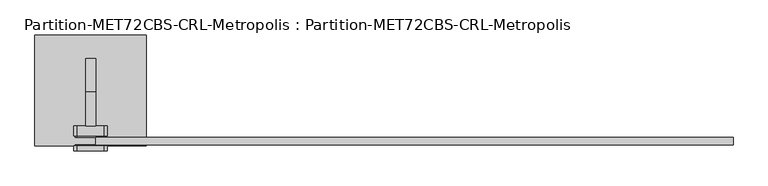
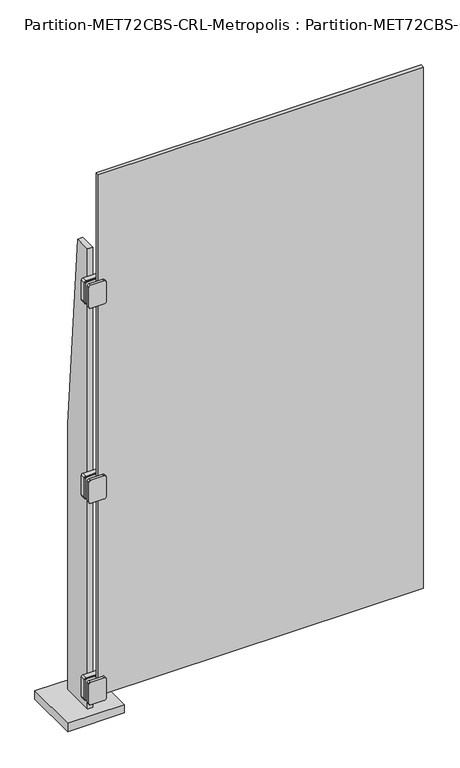
"""IFC4 building model written with IfcOpenShell, lengths in millimetres: plate geometry, Partition-MET72CBS-CRL-Metropolis : Partition-MET72CBS-CRL-Metropolis."""

import ifcopenshell
import ifcopenshell.guid

model = None  # the IFC model being written
_history = None  # IfcOwnerHistory: only IFC2X3 demands one
_inside = {}  # id of a spatial element -> (the spatial element, [elements in it])
_under = {}  # id of a project, library or spatial element -> (it, [spatial elements below it])
_declared = {}  # id of a project -> (the project, [libraries it declares])
_typed = {}  # id of a type object -> (the type object, [elements of that type])
_made_of = {}  # id of a material, layer set ... -> (it, [elements and type objects made of it])


def new_model(schema):
    """Start an empty IFC model of exactly this schema.

    Asked for "IFC4X3", IfcOpenShell would pick the latest addendum, in which some entities
    have other attributes; the version numbers below select the first issue.
    IFC2X3 requires an IfcOwnerHistory on every rooted entity: one is made here for all.
    """
    global model, _history
    if schema == "IFC4X3":
        model = ifcopenshell.file(schema_version=(4, 3, 0, 0))
    else:
        model = ifcopenshell.file(schema=schema)
    _inside.clear()
    _under.clear()
    _declared.clear()
    _typed.clear()
    _made_of.clear()
    _history = None
    if model.schema == "IFC2X3":
        org = make("IfcOrganization", Name="unknown")
        user = make(
            "IfcPersonAndOrganization",
            ThePerson=make("IfcPerson", FamilyName="unknown"),
            TheOrganization=org,
        )
        app = make(
            "IfcApplication",
            ApplicationDeveloper=org,
            Version="unknown",
            ApplicationFullName="unknown",
            ApplicationIdentifier="unknown",
        )
        _history = make(
            "IfcOwnerHistory",
            OwningUser=user,
            OwningApplication=app,
            ChangeAction="ADDED",
            CreationDate=0,
        )
    return model


def make(cls, **values):
    """One entity of the class cls with the attributes given. An attribute that is None is left unset."""
    return model.create_entity(
        cls, **{name: value for name, value in values.items() if value is not None}
    )


def rooted(cls, **values):
    """An entity with a GlobalId (a new one), such as an element, a storey or a relation."""
    return make(cls, GlobalId=ifcopenshell.guid.new(), OwnerHistory=_history, **values)


def si_unit(unit_type, name, prefix=None):
    """IfcSIUnit, for example si_unit("LENGTHUNIT", "METRE", prefix="MILLI")."""
    return make("IfcSIUnit", UnitType=unit_type, Prefix=prefix, Name=name)


def assignment(units):
    """IfcUnitAssignment: the units of a project."""
    return None if units is None else make("IfcUnitAssignment", Units=units)


def point(xyz):
    """IfcCartesianPoint."""
    return None if xyz is None else make("IfcCartesianPoint", Coordinates=xyz)


def direction(xyz):
    """IfcDirection."""
    return None if xyz is None else make("IfcDirection", DirectionRatios=xyz)


def frame(location, z_axis=None, x_axis=None):
    """IfcAxis2Placement3D, a coordinate frame: its origin and axes. An axis left out is left unset."""
    return make(
        "IfcAxis2Placement3D",
        Location=point(location),
        Axis=direction(z_axis),
        RefDirection=direction(x_axis),
    )


def frame_2d(location, x_axis=None):
    """IfcAxis2Placement2D, a coordinate frame in the plane: its origin and x axis."""
    return make(
        "IfcAxis2Placement2D", Location=point(location), RefDirection=direction(x_axis)
    )


def origin():
    """The frame at (0, 0, 0) with its axes left unset."""
    return frame((0.0, 0.0, 0.0))


def origin_with_axes():
    """The frame at (0, 0, 0) with the z axis (0, 0, 1) and the x axis (1, 0, 0) written out."""
    return frame((0.0, 0.0, 0.0), z_axis=(0.0, 0.0, 1.0), x_axis=(1.0, 0.0, 0.0))


def place(relative_to, where):
    """IfcLocalPlacement: puts the frame where relative to a parent placement (None: the world)."""
    return make(
        "IfcLocalPlacement", PlacementRelTo=relative_to, RelativePlacement=where
    )


def context(
    kind, dimensions, precision=None, world=None, true_north=None, identifier=None
):
    """IfcGeometricRepresentationContext, for example the 3D "Model" context."""
    return make(
        "IfcGeometricRepresentationContext",
        ContextIdentifier=identifier,
        ContextType=kind,
        CoordinateSpaceDimension=dimensions,
        Precision=precision,
        WorldCoordinateSystem=world,
        TrueNorth=true_north,
    )


def project(units=None, contexts=None):
    """IfcProject with its units and contexts."""
    return rooted(
        "IfcProject",
        Name="project",
        RepresentationContexts=contexts,
        UnitsInContext=assignment(units),
    )


def spatial(cls, under=None, at=None, **own):
    """A site, building, storey or space (cls), placed at a placement, below another one or the project."""
    s = rooted(cls, ObjectPlacement=at, **own)
    if under is not None:
        _under.setdefault(under.id(), (under, []))[1].append(s)
    return s


def polyline(points):
    """IfcPolyline through the points."""
    return make("IfcPolyline", Points=[point(p) for p in points])


def circle_curve(where, radius):
    """IfcCircle in the frame where."""
    return make("IfcCircle", Position=where, Radius=radius)


def trimmed(basis, trim1, trim2, sense, master):
    """IfcTrimmedCurve: the piece of a basis curve between two trims."""
    return make(
        "IfcTrimmedCurve",
        BasisCurve=basis,
        Trim1=trim1,
        Trim2=trim2,
        SenseAgreement=sense,
        MasterRepresentation=master,
    )


def segment(curve, same_sense, transition):
    """IfcCompositeCurveSegment."""
    return make(
        "IfcCompositeCurveSegment",
        Transition=transition,
        SameSense=same_sense,
        ParentCurve=curve,
    )


def composite_curve(segments, self_intersect=None):
    """IfcCompositeCurve: segments joined end to end."""
    return make("IfcCompositeCurve", Segments=segments, SelfIntersect=self_intersect)


def outline(outer, holes=None, kind="AREA"):
    """IfcArbitraryClosedProfileDef: a profile drawn as a closed curve; with holes, ...WithVoids."""
    if holes is None:
        return make("IfcArbitraryClosedProfileDef", ProfileType=kind, OuterCurve=outer)
    return make(
        "IfcArbitraryProfileDefWithVoids",
        ProfileType=kind,
        OuterCurve=outer,
        InnerCurves=holes,
    )


def extrude(swept, where, along, depth):
    """IfcExtrudedAreaSolid: the profile swept, set in the frame where, extruded along a direction by depth."""
    return make(
        "IfcExtrudedAreaSolid",
        SweptArea=swept,
        Position=where,
        ExtrudedDirection=direction(along),
        Depth=depth,
    )


def shape(context_of_items, identifier, shape_type, items):
    """IfcShapeRepresentation: the items that make up one representation, for example the "Body"."""
    return make(
        "IfcShapeRepresentation",
        ContextOfItems=context_of_items,
        RepresentationIdentifier=identifier,
        RepresentationType=shape_type,
        Items=items,
    )


def source(mapping_origin, context_of_items, identifier, shape_type, items):
    """IfcRepresentationMap: a shape defined once, which mapped items show again and again."""
    return make(
        "IfcRepresentationMap",
        MappingOrigin=mapping_origin,
        MappedRepresentation=shape(context_of_items, identifier, shape_type, items),
    )


def transform(
    local_origin,
    x_axis=None,
    y_axis=None,
    z_axis=None,
    scale=None,
    scale2=None,
    scale3=None,
    uniform=True,
):
    """IfcCartesianTransformationOperator3D, or its non-uniform kind. x_axis, y_axis, z_axis: its Axis1, 2, 3."""
    if uniform:
        return make(
            "IfcCartesianTransformationOperator3D",
            Axis1=direction(x_axis),
            Axis2=direction(y_axis),
            LocalOrigin=point(local_origin),
            Scale=scale,
            Axis3=direction(z_axis),
        )
    return make(
        "IfcCartesianTransformationOperator3DnonUniform",
        Axis1=direction(x_axis),
        Axis2=direction(y_axis),
        LocalOrigin=point(local_origin),
        Scale=scale,
        Axis3=direction(z_axis),
        Scale2=scale2,
        Scale3=scale3,
    )


def mapped(mapping_source, mapping_target):
    """IfcMappedItem: shows the shape of a source again, moved by a transform."""
    return make(
        "IfcMappedItem", MappingSource=mapping_source, MappingTarget=mapping_target
    )


def made_of(thing, what):
    """Note that an element or type object is made of a material, layer set ...; save() writes the relation."""
    if what is not None:
        _made_of.setdefault(what.id(), (what, []))[1].append(thing)
    return thing


def element(
    cls,
    number,
    at=None,
    inside=None,
    cuts=None,
    type_object=None,
    material=None,
    context=None,
    identifier="Body",
    shape_type=None,
    held_by="IfcProductDefinitionShape",
    body=None,
    shapes=None,
    **own,
):
    """One element of the class cls, such as IfcWall. Its Tag is "e" and its number.

    at: its placement. inside: the storey or other place that contains it. cuts: it is an
    opening in that element (IfcRelVoidsElement). A single representation is given by context,
    identifier, shape_type and body (its items); several are given by shapes. held_by: the class
    of the entity that holds the representations. save() writes the other relations.
    """
    e = rooted(cls, Tag="e%d" % number, ObjectPlacement=at, **own)
    if body is not None:
        shapes = [shape(context, identifier, shape_type, body)]
    if shapes is not None:
        e.Representation = make(held_by, Representations=shapes)
    if inside is not None:
        _inside.setdefault(inside.id(), (inside, []))[1].append(e)
    if cuts is not None:
        rooted(
            "IfcRelVoidsElement", RelatingBuildingElement=cuts, RelatedOpeningElement=e
        )
    if type_object is not None:
        _typed.setdefault(type_object.id(), (type_object, []))[1].append(e)
    return made_of(e, material)


def aggregate(whole, parts):
    """IfcRelAggregates: a whole, such as a stair, and the parts it consists of."""
    return rooted("IfcRelAggregates", RelatingObject=whole, RelatedObjects=parts)


def save(model, path):
    """Write the relations noted so far, then the file.

    IfcRelAggregates (storeys below a building ...), IfcRelContainedInSpatialStructure (elements
    in a storey), IfcRelDefinesByType, IfcRelAssociatesMaterial and IfcRelDeclares: one each for
    every whole, place, type object, material and project.
    """
    for whole, parts in _under.values():
        aggregate(whole, parts)
    for where, things in _inside.values():
        rooted(
            "IfcRelContainedInSpatialStructure",
            RelatedElements=things,
            RelatingStructure=where,
        )
    for kind, things in _typed.values():
        rooted("IfcRelDefinesByType", RelatedObjects=things, RelatingType=kind)
    for what, things in _made_of.values():
        rooted("IfcRelAssociatesMaterial", RelatedObjects=things, RelatingMaterial=what)
    for by, libraries in _declared.values():
        rooted("IfcRelDeclares", RelatingContext=by, RelatedDefinitions=libraries)
    model.write(path)


def partition_met72cbs_crl_metropolis_partition_met72cbs_crl_bda39845(model_context):
    return source(origin(), model_context, "Body", "SweptSolid", [
        extrude(outline(composite_curve([segment(polyline([(168.275, -596.9), (168.275, -635.0)]), True, "CONTINUOUS"), segment(trimmed(circle_curve(frame_2d((165.1, -635.0)), 3.175), [point((168.275, -635.0))], [point((165.1, -638.175))], False, "CARTESIAN"), True, "CONTINUOUS"), segment(polyline([(165.1, -638.175), (88.9, -638.175)]), True, "CONTINUOUS"), segment(trimmed(circle_curve(frame_2d((88.9, -635.0)), 3.175), [point((88.9, -638.175))], [point((85.725, -635.0))], False, "CARTESIAN"), True, "CONTINUOUS"), segment(polyline([(85.725, -635.0), (85.725, -596.9), (85.725, -584.2)]), True, "CONTINUOUS"), segment(trimmed(circle_curve(frame_2d((88.9, -584.2)), 3.175), [point((85.725, -584.2))], [point((88.9, -581.025))], False, "CARTESIAN"), True, "CONTINUOUS"), segment(polyline([(88.9, -581.025), (165.1, -581.025)]), True, "CONTINUOUS"), segment(trimmed(circle_curve(frame_2d((165.1, -584.2)), 3.175), [point((165.1, -581.025))], [point((168.275, -584.2))], False, "CARTESIAN"), True, "CONTINUOUS"), segment(polyline([(168.275, -584.2), (168.275, -596.9)]), True, "CONTINUOUS")], self_intersect=False)), frame((0.0, -114.3, 0.0), z_axis=(0.0, 1.0, 0.0), x_axis=(0.0, 0.0, 1.0)), (0.0, 0.0, 1.0), 1.5875),
        extrude(outline(composite_curve([segment(polyline([(168.275, -596.9), (168.275, -635.0)]), True, "CONTINUOUS"), segment(trimmed(circle_curve(frame_2d((165.1, -635.0)), 3.175), [point((168.275, -635.0))], [point((165.1, -638.175))], False, "CARTESIAN"), True, "CONTINUOUS"), segment(polyline([(165.1, -638.175), (88.9, -638.175)]), True, "CONTINUOUS"), segment(trimmed(circle_curve(frame_2d((88.9, -635.0)), 3.175), [point((88.9, -638.175))], [point((85.725, -635.0))], False, "CARTESIAN"), True, "CONTINUOUS"), segment(polyline([(85.725, -635.0), (85.725, -596.9), (85.725, -584.2)]), True, "CONTINUOUS"), segment(trimmed(circle_curve(frame_2d((88.9, -584.2)), 3.175), [point((85.725, -584.2))], [point((88.9, -581.025))], False, "CARTESIAN"), True, "CONTINUOUS"), segment(polyline([(88.9, -581.025), (165.1, -581.025)]), True, "CONTINUOUS"), segment(trimmed(circle_curve(frame_2d((165.1, -584.2)), 3.175), [point((165.1, -581.025))], [point((168.275, -584.2))], False, "CARTESIAN"), True, "CONTINUOUS"), segment(polyline([(168.275, -584.2), (168.275, -596.9)]), True, "CONTINUOUS")], self_intersect=False)), frame((0.0, -98.425, 0.0), z_axis=(0.0, 1.0, 0.0), x_axis=(0.0, 0.0, 1.0)), (0.0, 0.0, 1.0), 3.175),
        extrude(outline(composite_curve([segment(polyline([(165.1, -641.35), (88.9, -641.35)]), True, "CONTINUOUS"), segment(trimmed(circle_curve(frame_2d((88.9, -635.0)), 6.35), [point((88.9, -641.35))], [point((82.55, -635.0))], False, "CARTESIAN"), True, "CONTINUOUS"), segment(polyline([(82.55, -635.0), (82.55, -584.2)]), True, "CONTINUOUS"), segment(trimmed(circle_curve(frame_2d((88.9, -584.2)), 6.35), [point((82.55, -584.2))], [point((88.9, -577.85))], False, "CARTESIAN"), True, "CONTINUOUS"), segment(polyline([(88.9, -577.85), (165.1, -577.85)]), True, "CONTINUOUS"), segment(trimmed(circle_curve(frame_2d((165.1, -584.2)), 6.35), [point((165.1, -577.85))], [point((171.45, -584.2))], False, "CARTESIAN"), True, "CONTINUOUS"), segment(polyline([(171.45, -584.2), (171.45, -635.0)]), True, "CONTINUOUS"), segment(trimmed(circle_curve(frame_2d((165.1, -635.0)), 6.35), [point((171.45, -635.0))], [point((165.1, -641.35))], False, "CARTESIAN"), True, "CONTINUOUS")], self_intersect=False)), frame((0.0, -123.825, 0.0), z_axis=(0.0, 1.0, 0.0), x_axis=(0.0, 0.0, 1.0)), (0.0, 0.0, 1.0), 9.525),
        extrude(outline(composite_curve([segment(polyline([(165.1, -641.35), (88.9, -641.35)]), True, "CONTINUOUS"), segment(trimmed(circle_curve(frame_2d((88.9, -635.0)), 6.35), [point((88.9, -641.35))], [point((82.55, -635.0))], False, "CARTESIAN"), True, "CONTINUOUS"), segment(polyline([(82.55, -635.0), (82.55, -584.2)]), True, "CONTINUOUS"), segment(trimmed(circle_curve(frame_2d((88.9, -584.2)), 6.35), [point((82.55, -584.2))], [point((88.9, -577.85))], False, "CARTESIAN"), True, "CONTINUOUS"), segment(polyline([(88.9, -577.85), (165.1, -577.85)]), True, "CONTINUOUS"), segment(trimmed(circle_curve(frame_2d((165.1, -584.2)), 6.35), [point((165.1, -577.85))], [point((171.45, -584.2))], False, "CARTESIAN"), True, "CONTINUOUS"), segment(polyline([(171.45, -584.2), (171.45, -635.0)]), True, "CONTINUOUS"), segment(trimmed(circle_curve(frame_2d((165.1, -635.0)), 6.35), [point((171.45, -635.0))], [point((165.1, -641.35))], False, "CARTESIAN"), True, "CONTINUOUS")], self_intersect=False)), frame((0.0, -95.25, 0.0), z_axis=(0.0, 1.0, 0.0), x_axis=(0.0, 0.0, 1.0)), (0.0, 0.0, 1.0), 19.05),
        extrude(outline(composite_curve([segment(polyline([(1717.675, -596.9), (1717.675, -635.0)]), True, "CONTINUOUS"), segment(trimmed(circle_curve(frame_2d((1714.5, -635.0)), 3.175), [point((1717.675, -635.0))], [point((1714.5, -638.175))], False, "CARTESIAN"), True, "CONTINUOUS"), segment(polyline([(1714.5, -638.175), (1638.3, -638.175)]), True, "CONTINUOUS"), segment(trimmed(circle_curve(frame_2d((1638.3, -635.0)), 3.175), [point((1638.3, -638.175))], [point((1635.125, -635.0))], False, "CARTESIAN"), True, "CONTINUOUS"), segment(polyline([(1635.125, -635.0), (1635.125, -596.9), (1635.125, -584.2)]), True, "CONTINUOUS"), segment(trimmed(circle_curve(frame_2d((1638.3, -584.2)), 3.175), [point((1635.125, -584.2))], [point((1638.3, -581.025))], False, "CARTESIAN"), True, "CONTINUOUS"), segment(polyline([(1638.3, -581.025), (1714.5, -581.025)]), True, "CONTINUOUS"), segment(trimmed(circle_curve(frame_2d((1714.5, -584.2)), 3.175), [point((1714.5, -581.025))], [point((1717.675, -584.2))], False, "CARTESIAN"), True, "CONTINUOUS"), segment(polyline([(1717.675, -584.2), (1717.675, -596.9)]), True, "CONTINUOUS")], self_intersect=False)), frame((0.0, -114.3, 0.0), z_axis=(0.0, 1.0, 0.0), x_axis=(0.0, 0.0, 1.0)), (0.0, 0.0, 1.0), 1.5875),
        extrude(outline(composite_curve([segment(polyline([(1717.675, -596.9), (1717.675, -635.0)]), True, "CONTINUOUS"), segment(trimmed(circle_curve(frame_2d((1714.5, -635.0)), 3.175), [point((1717.675, -635.0))], [point((1714.5, -638.175))], False, "CARTESIAN"), True, "CONTINUOUS"), segment(polyline([(1714.5, -638.175), (1638.3, -638.175)]), True, "CONTINUOUS"), segment(trimmed(circle_curve(frame_2d((1638.3, -635.0)), 3.175), [point((1638.3, -638.175))], [point((1635.125, -635.0))], False, "CARTESIAN"), True, "CONTINUOUS"), segment(polyline([(1635.125, -635.0), (1635.125, -596.9), (1635.125, -584.2)]), True, "CONTINUOUS"), segment(trimmed(circle_curve(frame_2d((1638.3, -584.2)), 3.175), [point((1635.125, -584.2))], [point((1638.3, -581.025))], False, "CARTESIAN"), True, "CONTINUOUS"), segment(polyline([(1638.3, -581.025), (1714.5, -581.025)]), True, "CONTINUOUS"), segment(trimmed(circle_curve(frame_2d((1714.5, -584.2)), 3.175), [point((1714.5, -581.025))], [point((1717.675, -584.2))], False, "CARTESIAN"), True, "CONTINUOUS"), segment(polyline([(1717.675, -584.2), (1717.675, -596.9)]), True, "CONTINUOUS")], self_intersect=False)), frame((0.0, -98.425, 0.0), z_axis=(0.0, 1.0, 0.0), x_axis=(0.0, 0.0, 1.0)), (0.0, 0.0, 1.0), 3.175),
        extrude(outline(composite_curve([segment(polyline([(1714.5, -641.35), (1638.3, -641.35)]), True, "CONTINUOUS"), segment(trimmed(circle_curve(frame_2d((1638.3, -635.0)), 6.35), [point((1638.3, -641.35))], [point((1631.95, -635.0))], False, "CARTESIAN"), True, "CONTINUOUS"), segment(polyline([(1631.95, -635.0), (1631.95, -584.2)]), True, "CONTINUOUS"), segment(trimmed(circle_curve(frame_2d((1638.3, -584.2)), 6.35), [point((1631.95, -584.2))], [point((1638.3, -577.85))], False, "CARTESIAN"), True, "CONTINUOUS"), segment(polyline([(1638.3, -577.85), (1714.5, -577.85)]), True, "CONTINUOUS"), segment(trimmed(circle_curve(frame_2d((1714.5, -584.2)), 6.35), [point((1714.5, -577.85))], [point((1720.85, -584.2))], False, "CARTESIAN"), True, "CONTINUOUS"), segment(polyline([(1720.85, -584.2), (1720.85, -635.0)]), True, "CONTINUOUS"), segment(trimmed(circle_curve(frame_2d((1714.5, -635.0)), 6.35), [point((1720.85, -635.0))], [point((1714.5, -641.35))], False, "CARTESIAN"), True, "CONTINUOUS")], self_intersect=False)), frame((0.0, -123.825, 0.0), z_axis=(0.0, 1.0, 0.0), x_axis=(0.0, 0.0, 1.0)), (0.0, 0.0, 1.0), 9.525),
        extrude(outline(composite_curve([segment(polyline([(1714.5, -641.35), (1638.3, -641.35)]), True, "CONTINUOUS"), segment(trimmed(circle_curve(frame_2d((1638.3, -635.0)), 6.35), [point((1638.3, -641.35))], [point((1631.95, -635.0))], False, "CARTESIAN"), True, "CONTINUOUS"), segment(polyline([(1631.95, -635.0), (1631.95, -584.2)]), True, "CONTINUOUS"), segment(trimmed(circle_curve(frame_2d((1638.3, -584.2)), 6.35), [point((1631.95, -584.2))], [point((1638.3, -577.85))], False, "CARTESIAN"), True, "CONTINUOUS"), segment(polyline([(1638.3, -577.85), (1714.5, -577.85)]), True, "CONTINUOUS"), segment(trimmed(circle_curve(frame_2d((1714.5, -584.2)), 6.35), [point((1714.5, -577.85))], [point((1720.85, -584.2))], False, "CARTESIAN"), True, "CONTINUOUS"), segment(polyline([(1720.85, -584.2), (1720.85, -635.0)]), True, "CONTINUOUS"), segment(trimmed(circle_curve(frame_2d((1714.5, -635.0)), 6.35), [point((1720.85, -635.0))], [point((1714.5, -641.35))], False, "CARTESIAN"), True, "CONTINUOUS")], self_intersect=False)), frame((0.0, -95.25, 0.0), z_axis=(0.0, 1.0, 0.0), x_axis=(0.0, 0.0, 1.0)), (0.0, 0.0, 1.0), 19.05),
        extrude(outline(composite_curve([segment(polyline([(955.675, -596.9), (955.675, -635.0)]), True, "CONTINUOUS"), segment(trimmed(circle_curve(frame_2d((952.5, -635.0)), 3.175), [point((955.675, -635.0))], [point((952.5, -638.175))], False, "CARTESIAN"), True, "CONTINUOUS"), segment(polyline([(952.5, -638.175), (876.3, -638.175)]), True, "CONTINUOUS"), segment(trimmed(circle_curve(frame_2d((876.3, -635.0)), 3.175), [point((876.3, -638.175))], [point((873.125, -635.0))], False, "CARTESIAN"), True, "CONTINUOUS"), segment(polyline([(873.125, -635.0), (873.125, -596.9), (873.125, -584.2)]), True, "CONTINUOUS"), segment(trimmed(circle_curve(frame_2d((876.3, -584.2)), 3.175), [point((873.125, -584.2))], [point((876.3, -581.025))], False, "CARTESIAN"), True, "CONTINUOUS"), segment(polyline([(876.3, -581.025), (952.5, -581.025)]), True, "CONTINUOUS"), segment(trimmed(circle_curve(frame_2d((952.5, -584.2)), 3.175), [point((952.5, -581.025))], [point((955.675, -584.2))], False, "CARTESIAN"), True, "CONTINUOUS"), segment(polyline([(955.675, -584.2), (955.675, -596.9)]), True, "CONTINUOUS")], self_intersect=False)), frame((0.0, -114.3, 0.0), z_axis=(0.0, 1.0, 0.0), x_axis=(0.0, 0.0, 1.0)), (0.0, 0.0, 1.0), 1.5875),
        extrude(outline(composite_curve([segment(polyline([(955.675, -596.9), (955.675, -635.0)]), True, "CONTINUOUS"), segment(trimmed(circle_curve(frame_2d((952.5, -635.0)), 3.175), [point((955.675, -635.0))], [point((952.5, -638.175))], False, "CARTESIAN"), True, "CONTINUOUS"), segment(polyline([(952.5, -638.175), (876.3, -638.175)]), True, "CONTINUOUS"), segment(trimmed(circle_curve(frame_2d((876.3, -635.0)), 3.175), [point((876.3, -638.175))], [point((873.125, -635.0))], False, "CARTESIAN"), True, "CONTINUOUS"), segment(polyline([(873.125, -635.0), (873.125, -596.9), (873.125, -584.2)]), True, "CONTINUOUS"), segment(trimmed(circle_curve(frame_2d((876.3, -584.2)), 3.175), [point((873.125, -584.2))], [point((876.3, -581.025))], False, "CARTESIAN"), True, "CONTINUOUS"), segment(polyline([(876.3, -581.025), (952.5, -581.025)]), True, "CONTINUOUS"), segment(trimmed(circle_curve(frame_2d((952.5, -584.2)), 3.175), [point((952.5, -581.025))], [point((955.675, -584.2))], False, "CARTESIAN"), True, "CONTINUOUS"), segment(polyline([(955.675, -584.2), (955.675, -596.9)]), True, "CONTINUOUS")], self_intersect=False)), frame((0.0, -98.425, 0.0), z_axis=(0.0, 1.0, 0.0), x_axis=(0.0, 0.0, 1.0)), (0.0, 0.0, 1.0), 3.175),
        extrude(outline(composite_curve([segment(polyline([(952.5, -641.35), (876.3, -641.35)]), True, "CONTINUOUS"), segment(trimmed(circle_curve(frame_2d((876.3, -635.0)), 6.35), [point((876.3, -641.35))], [point((869.95, -635.0))], False, "CARTESIAN"), True, "CONTINUOUS"), segment(polyline([(869.95, -635.0), (869.95, -584.2)]), True, "CONTINUOUS"), segment(trimmed(circle_curve(frame_2d((876.3, -584.2)), 6.35), [point((869.95, -584.2))], [point((876.3, -577.85))], False, "CARTESIAN"), True, "CONTINUOUS"), segment(polyline([(876.3, -577.85), (952.5, -577.85)]), True, "CONTINUOUS"), segment(trimmed(circle_curve(frame_2d((952.5, -584.2)), 6.35), [point((952.5, -577.85))], [point((958.85, -584.2))], False, "CARTESIAN"), True, "CONTINUOUS"), segment(polyline([(958.85, -584.2), (958.85, -635.0)]), True, "CONTINUOUS"), segment(trimmed(circle_curve(frame_2d((952.5, -635.0)), 6.35), [point((958.85, -635.0))], [point((952.5, -641.35))], False, "CARTESIAN"), True, "CONTINUOUS")], self_intersect=False)), frame((0.0, -123.825, 0.0), z_axis=(0.0, 1.0, 0.0), x_axis=(0.0, 0.0, 1.0)), (0.0, 0.0, 1.0), 9.525),
        extrude(outline(composite_curve([segment(polyline([(952.5, -641.35), (876.3, -641.35)]), True, "CONTINUOUS"), segment(trimmed(circle_curve(frame_2d((876.3, -635.0)), 6.35), [point((876.3, -641.35))], [point((869.95, -635.0))], False, "CARTESIAN"), True, "CONTINUOUS"), segment(polyline([(869.95, -635.0), (869.95, -584.2)]), True, "CONTINUOUS"), segment(trimmed(circle_curve(frame_2d((876.3, -584.2)), 6.35), [point((869.95, -584.2))], [point((876.3, -577.85))], False, "CARTESIAN"), True, "CONTINUOUS"), segment(polyline([(876.3, -577.85), (952.5, -577.85)]), True, "CONTINUOUS"), segment(trimmed(circle_curve(frame_2d((952.5, -584.2)), 6.35), [point((952.5, -577.85))], [point((958.85, -584.2))], False, "CARTESIAN"), True, "CONTINUOUS"), segment(polyline([(958.85, -584.2), (958.85, -635.0)]), True, "CONTINUOUS"), segment(trimmed(circle_curve(frame_2d((952.5, -635.0)), 6.35), [point((958.85, -635.0))], [point((952.5, -641.35))], False, "CARTESIAN"), True, "CONTINUOUS")], self_intersect=False)), frame((0.0, -95.25, 0.0), z_axis=(0.0, 1.0, 0.0), x_axis=(0.0, 0.0, 1.0)), (0.0, 0.0, 1.0), 19.05),
        extrude(outline(polyline([(50.8, 1066.8), (50.8, 0.0), (-76.2, 0.0), (-76.2, 1828.8), (-12.7, 1828.8), (50.8, 1066.8)])), frame((-619.125, 0.0, 0.0), z_axis=(1.0, 0.0, 0.0), x_axis=(0.0, 1.0, 0.0)), (0.0, 0.0, 1.0), 19.05),
        extrude(outline(polyline([(-504.825, 95.25), (-504.825, -114.3), (-714.375, -114.3), (-714.375, 95.25), (-504.825, 95.25)])), origin_with_axes(), (0.0, 0.0, 1.0), 31.75),
        extrude(outline(polyline([(600.075, -98.425), (600.075, -112.7125), (-600.075, -112.7125), (-600.075, -98.425), (600.075, -98.425)])), frame((0.0, 0.0, 98.425), z_axis=(0.0, 0.0, 1.0), x_axis=(1.0, 0.0, 0.0)), (0.0, 0.0, 1.0), 2035.175),
    ])


if __name__ == "__main__":
    model = new_model("IFC4")
    model_context = context("Model", 3, world=origin())
    ifc_project = project(units=[si_unit("LENGTHUNIT", "METRE", prefix="MILLI")], contexts=[model_context])
    site = spatial("IfcSite", under=ifc_project)
    building = spatial("IfcBuilding", under=site)
    placement = place(None, origin())
    partition_met72cbs_crl_metropolis_partition_met72cbs_crl_shape = partition_met72cbs_crl_metropolis_partition_met72cbs_crl_bda39845(model_context)
    element("IfcPlate", 1, ObjectType="Partition-MET72CBS-CRL-Metropolis : Partition-MET72CBS-CRL-Metropolis", at=placement, inside=building, context=model_context, shape_type="MappedRepresentation", body=[
        mapped(partition_met72cbs_crl_metropolis_partition_met72cbs_crl_shape, transform((0.0, 0.0, 0.0), x_axis=(1.0, 0.0, 0.0), y_axis=(0.0, 1.0, 0.0), z_axis=(0.0, 0.0, 1.0))),
    ])
    save(model, "model.ifc")
